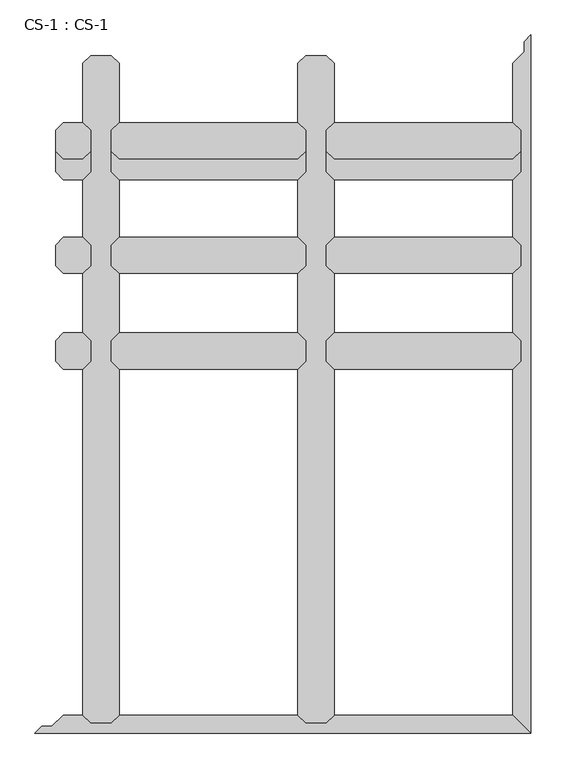
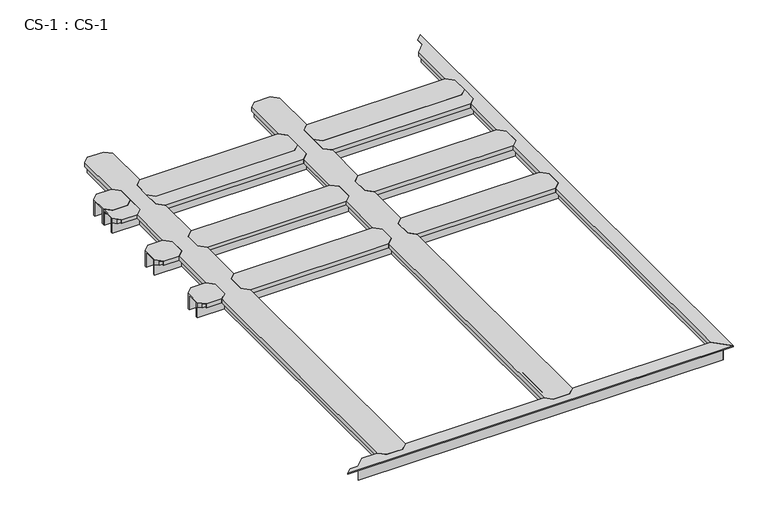
"""IFC4 building model written with IfcOpenShell, lengths in millimetres: proxy geometry, CS-1 : CS-1."""

from ifc_helpers import new_model, si_unit, origin, place, context, project, spatial, faceted_brep, source, transform, mapped, element, save


def cs_1_cs_1_36190b0d(model_context):
    return source(origin(), model_context, "Body", "Brep", [
        faceted_brep([(1549.3991059, 1856.74, 46.355), (1549.3991059, 1856.74, 0.0), (1549.3991059, 1863.725, 0.0), (1549.3991059, 1863.725, 63.5), (1549.3991059, 1915.795, 63.5), (1549.3991059, 1915.795, 0.0), (1549.3991059, 1922.78, 0.0), (1549.3991059, 1922.78, 46.355), (1549.3991059, 1922.78, 66.675), (1549.3991059, 1856.74, 66.675), (929.6390043, 1922.78, 46.355), (929.6390043, 1922.78, 0.0), (929.6390043, 1915.795, 0.0), (929.6390043, 1915.795, 63.5), (929.6390043, 1863.725, 63.5), (929.6390043, 1863.725, 0.0), (929.6390043, 1856.74, 0.0), (929.6390043, 1856.74, 46.355), (929.6390043, 1856.74, 66.675), (929.6390043, 1922.78, 66.675), (954.2770043, 1947.418, 66.675), (1524.7611059, 1947.418, 66.675), (1524.7611059, 1947.418, 49.8094), (954.2770043, 1947.418, 49.8094), (1526.2851059, 1945.894, 49.8094), (952.7530043, 1945.894, 49.8094), (1526.2851059, 1945.894, 64.643), (952.7530043, 1945.894, 64.643), (1536.5721059, 1935.607, 64.643), (942.4660043, 1935.607, 64.643), (1536.5721059, 1935.607, 46.355), (942.4660043, 1935.607, 46.355), (1536.5721059, 1843.913, 46.355), (942.4660043, 1843.913, 46.355), (1536.5721059, 1843.913, 64.643), (942.4660043, 1843.913, 64.643), (1526.2851059, 1833.626, 64.643), (952.7530043, 1833.626, 64.643), (1526.2851059, 1833.626, 49.8094), (952.7530043, 1833.626, 49.8094), (1524.7611059, 1832.102, 49.8094), (954.2770043, 1832.102, 49.8094), (1524.7611059, 1832.102, 66.675), (954.2770043, 1832.102, 66.675)], [[[0, 1, 2, 3, 4, 5, 6, 7, 8, 9]], [[10, 11, 12, 13, 14, 15, 16, 17, 18, 19]], [[20, 21, 22, 23]], [[23, 22, 24, 25]], [[25, 24, 26, 27]], [[27, 26, 28, 29]], [[29, 28, 30, 31]], [[7, 10, 31, 30]], [[7, 6, 11, 10]], [[6, 5, 12, 11]], [[5, 4, 13, 12]], [[4, 3, 14, 13]], [[3, 2, 15, 14]], [[2, 1, 16, 15]], [[1, 0, 17, 16]], [[17, 0, 32, 33]], [[33, 32, 34, 35]], [[35, 34, 36, 37]], [[37, 36, 38, 39]], [[39, 38, 40, 41]], [[41, 40, 42, 43]], [[9, 8, 21, 20, 19, 18, 43, 42]], [[10, 19, 20, 23, 25, 27, 29, 31]], [[18, 17, 33, 35, 37, 39, 41, 43]], [[0, 9, 42, 40, 38, 36, 34, 32]], [[8, 7, 30, 28, 26, 24, 22, 21]]]),
        faceted_brep([(863.5990043, 1856.74, 46.355), (863.5990043, 1856.74, 0.0), (863.5990043, 1863.725, 0.0), (863.5990043, 1863.725, 63.5), (863.5990043, 1915.795, 63.5), (863.5990043, 1915.795, 0.0), (863.5990043, 1922.78, 0.0), (863.5990043, 1922.78, 46.355), (863.5990043, 1922.78, 66.675), (863.5990043, 1856.74, 66.675), (243.8389027, 1922.78, 46.355), (243.8389027, 1922.78, 0.0), (243.8389027, 1915.795, 0.0), (243.8389027, 1915.795, 63.5), (243.8389027, 1863.725, 63.5), (243.8389027, 1863.725, 0.0), (243.8389027, 1856.74, 0.0), (243.8389027, 1856.74, 46.355), (243.8389027, 1856.74, 66.675), (243.8389027, 1922.78, 66.675), (268.4769027, 1947.418, 66.675), (838.9610043, 1947.418, 66.675), (838.9610043, 1947.418, 49.8094), (268.4769027, 1947.418, 49.8094), (840.4850043, 1945.894, 49.8094), (266.9529027, 1945.894, 49.8094), (840.4850043, 1945.894, 64.643), (266.9529027, 1945.894, 64.643), (850.7720043, 1935.607, 64.643), (256.6659027, 1935.607, 64.643), (850.7720043, 1935.607, 46.355), (256.6659027, 1935.607, 46.355), (850.7720043, 1843.913, 46.355), (256.6659027, 1843.913, 46.355), (850.7720043, 1843.913, 64.643), (256.6659027, 1843.913, 64.643), (840.4850043, 1833.626, 64.643), (266.9529027, 1833.626, 64.643), (840.4850043, 1833.626, 49.8094), (266.9529027, 1833.626, 49.8094), (838.9610043, 1832.102, 49.8094), (268.4769027, 1832.102, 49.8094), (838.9610043, 1832.102, 66.675), (268.4769027, 1832.102, 66.675)], [[[0, 1, 2, 3, 4, 5, 6, 7, 8, 9]], [[10, 11, 12, 13, 14, 15, 16, 17, 18, 19]], [[20, 21, 22, 23]], [[23, 22, 24, 25]], [[25, 24, 26, 27]], [[27, 26, 28, 29]], [[29, 28, 30, 31]], [[7, 10, 31, 30]], [[7, 6, 11, 10]], [[6, 5, 12, 11]], [[5, 4, 13, 12]], [[4, 3, 14, 13]], [[3, 2, 15, 14]], [[2, 1, 16, 15]], [[1, 0, 17, 16]], [[17, 0, 32, 33]], [[33, 32, 34, 35]], [[35, 34, 36, 37]], [[37, 36, 38, 39]], [[39, 38, 40, 41]], [[41, 40, 42, 43]], [[9, 8, 21, 20, 19, 18, 43, 42]], [[10, 19, 20, 23, 25, 27, 29, 31]], [[18, 17, 33, 35, 37, 39, 41, 43]], [[0, 9, 42, 40, 38, 36, 34, 32]], [[8, 7, 30, 28, 26, 24, 22, 21]]]),
        faceted_brep([(1549.3991059, 1790.7, 46.355), (1549.3991059, 1790.7, 0.0), (1549.3991059, 1797.685, 0.0), (1549.3991059, 1797.685, 63.5), (1549.3991059, 1849.755, 63.5), (1549.3991059, 1849.755, 0.0), (1549.3991059, 1856.74, 0.0), (1549.3991059, 1856.74, 46.355), (1549.3991059, 1856.74, 66.675), (1549.3991059, 1790.7, 66.675), (929.6390043, 1856.74, 46.355), (929.6390043, 1856.74, 0.0), (929.6390043, 1849.755, 0.0), (929.6390043, 1849.755, 63.5), (929.6390043, 1797.685, 63.5), (929.6390043, 1797.685, 0.0), (929.6390043, 1790.7, 0.0), (929.6390043, 1790.7, 46.355), (929.6390043, 1790.7, 66.675), (929.6390043, 1856.74, 66.675), (954.2770043, 1881.378, 66.675), (1524.7611059, 1881.378, 66.675), (1524.7611059, 1881.378, 49.8094), (954.2770043, 1881.378, 49.8094), (1526.2851059, 1879.854, 49.8094), (952.7530043, 1879.854, 49.8094), (1526.2851059, 1879.854, 64.643), (952.7530043, 1879.854, 64.643), (1536.5721059, 1869.567, 64.643), (942.4660043, 1869.567, 64.643), (1536.5721059, 1869.567, 46.355), (942.4660043, 1869.567, 46.355), (1536.5721059, 1777.873, 46.355), (942.4660043, 1777.873, 46.355), (1536.5721059, 1777.873, 64.643), (942.4660043, 1777.873, 64.643), (1526.2851059, 1767.586, 64.643), (952.7530043, 1767.586, 64.643), (1526.2851059, 1767.586, 49.8094), (952.7530043, 1767.586, 49.8094), (1524.7611059, 1766.062, 49.8094), (954.2770043, 1766.062, 49.8094), (1524.7611059, 1766.062, 66.675), (954.2770043, 1766.062, 66.675)], [[[0, 1, 2, 3, 4, 5, 6, 7, 8, 9]], [[10, 11, 12, 13, 14, 15, 16, 17, 18, 19]], [[20, 21, 22, 23]], [[23, 22, 24, 25]], [[25, 24, 26, 27]], [[27, 26, 28, 29]], [[29, 28, 30, 31]], [[7, 10, 31, 30]], [[7, 6, 11, 10]], [[6, 5, 12, 11]], [[5, 4, 13, 12]], [[4, 3, 14, 13]], [[3, 2, 15, 14]], [[2, 1, 16, 15]], [[1, 0, 17, 16]], [[17, 0, 32, 33]], [[33, 32, 34, 35]], [[35, 34, 36, 37]], [[37, 36, 38, 39]], [[39, 38, 40, 41]], [[41, 40, 42, 43]], [[9, 8, 21, 20, 19, 18, 43, 42]], [[10, 19, 20, 23, 25, 27, 29, 31]], [[18, 17, 33, 35, 37, 39, 41, 43]], [[0, 9, 42, 40, 38, 36, 34, 32]], [[8, 7, 30, 28, 26, 24, 22, 21]]]),
        faceted_brep([(863.5990043, 1790.7, 46.355), (863.5990043, 1790.7, 0.0), (863.5990043, 1797.685, 0.0), (863.5990043, 1797.685, 63.5), (863.5990043, 1849.755, 63.5), (863.5990043, 1849.755, 0.0), (863.5990043, 1856.74, 0.0), (863.5990043, 1856.74, 46.355), (863.5990043, 1856.74, 66.675), (863.5990043, 1790.7, 66.675), (243.8389027, 1856.74, 46.355), (243.8389027, 1856.74, 0.0), (243.8389027, 1849.755, 0.0), (243.8389027, 1849.755, 63.5), (243.8389027, 1797.685, 63.5), (243.8389027, 1797.685, 0.0), (243.8389027, 1790.7, 0.0), (243.8389027, 1790.7, 46.355), (243.8389027, 1790.7, 66.675), (243.8389027, 1856.74, 66.675), (268.4769027, 1881.378, 66.675), (838.9610043, 1881.378, 66.675), (838.9610043, 1881.378, 49.8094), (268.4769027, 1881.378, 49.8094), (840.4850043, 1879.854, 49.8094), (266.9529027, 1879.854, 49.8094), (840.4850043, 1879.854, 64.643), (266.9529027, 1879.854, 64.643), (850.7720043, 1869.567, 64.643), (256.6659027, 1869.567, 64.643), (850.7720043, 1869.567, 46.355), (256.6659027, 1869.567, 46.355), (850.7720043, 1777.873, 46.355), (256.6659027, 1777.873, 46.355), (850.7720043, 1777.873, 64.643), (256.6659027, 1777.873, 64.643), (840.4850043, 1767.586, 64.643), (266.9529027, 1767.586, 64.643), (840.4850043, 1767.586, 49.8094), (266.9529027, 1767.586, 49.8094), (838.9610043, 1766.062, 49.8094), (268.4769027, 1766.062, 49.8094), (838.9610043, 1766.062, 66.675), (268.4769027, 1766.062, 66.675)], [[[0, 1, 2, 3, 4, 5, 6, 7, 8, 9]], [[10, 11, 12, 13, 14, 15, 16, 17, 18, 19]], [[20, 21, 22, 23]], [[23, 22, 24, 25]], [[25, 24, 26, 27]], [[27, 26, 28, 29]], [[29, 28, 30, 31]], [[7, 10, 31, 30]], [[7, 6, 11, 10]], [[6, 5, 12, 11]], [[5, 4, 13, 12]], [[4, 3, 14, 13]], [[3, 2, 15, 14]], [[2, 1, 16, 15]], [[1, 0, 17, 16]], [[17, 0, 32, 33]], [[33, 32, 34, 35]], [[35, 34, 36, 37]], [[37, 36, 38, 39]], [[39, 38, 40, 41]], [[41, 40, 42, 43]], [[9, 8, 21, 20, 19, 18, 43, 42]], [[10, 19, 20, 23, 25, 27, 29, 31]], [[18, 17, 33, 35, 37, 39, 41, 43]], [[0, 9, 42, 40, 38, 36, 34, 32]], [[8, 7, 30, 28, 26, 24, 22, 21]]]),
        faceted_brep([(1549.3991059, 1490.98, 46.355), (1549.3991059, 1490.98, 0.0), (1549.3991059, 1497.965, 0.0), (1549.3991059, 1497.965, 63.5), (1549.3991059, 1550.035, 63.5), (1549.3991059, 1550.035, 0.0), (1549.3991059, 1557.02, 0.0), (1549.3991059, 1557.02, 46.355), (1549.3991059, 1557.02, 66.675), (1549.3991059, 1490.98, 66.675), (929.6390043, 1557.02, 46.355), (929.6390043, 1557.02, 0.0), (929.6390043, 1550.035, 0.0), (929.6390043, 1550.035, 63.5), (929.6390043, 1497.965, 63.5), (929.6390043, 1497.965, 0.0), (929.6390043, 1490.98, 0.0), (929.6390043, 1490.98, 46.355), (929.6390043, 1490.98, 66.675), (929.6390043, 1557.02, 66.675), (954.2770043, 1581.658, 66.675), (1524.7611059, 1581.658, 66.675), (1524.7611059, 1581.658, 49.8094), (954.2770043, 1581.658, 49.8094), (1526.2851059, 1580.134, 49.8094), (952.7530043, 1580.134, 49.8094), (1526.2851059, 1580.134, 64.643), (952.7530043, 1580.134, 64.643), (1536.5721059, 1569.847, 64.643), (942.4660043, 1569.847, 64.643), (1536.5721059, 1569.847, 46.355), (942.4660043, 1569.847, 46.355), (1536.5721059, 1478.153, 46.355), (942.4660043, 1478.153, 46.355), (1536.5721059, 1478.153, 64.643), (942.4660043, 1478.153, 64.643), (1526.2851059, 1467.866, 64.643), (952.7530043, 1467.866, 64.643), (1526.2851059, 1467.866, 49.8094), (952.7530043, 1467.866, 49.8094), (1524.7611059, 1466.342, 49.8094), (954.2770043, 1466.342, 49.8094), (1524.7611059, 1466.342, 66.675), (954.2770043, 1466.342, 66.675)], [[[0, 1, 2, 3, 4, 5, 6, 7, 8, 9]], [[10, 11, 12, 13, 14, 15, 16, 17, 18, 19]], [[20, 21, 22, 23]], [[23, 22, 24, 25]], [[25, 24, 26, 27]], [[27, 26, 28, 29]], [[29, 28, 30, 31]], [[7, 10, 31, 30]], [[7, 6, 11, 10]], [[6, 5, 12, 11]], [[5, 4, 13, 12]], [[4, 3, 14, 13]], [[3, 2, 15, 14]], [[2, 1, 16, 15]], [[1, 0, 17, 16]], [[17, 0, 32, 33]], [[33, 32, 34, 35]], [[35, 34, 36, 37]], [[37, 36, 38, 39]], [[39, 38, 40, 41]], [[41, 40, 42, 43]], [[9, 8, 21, 20, 19, 18, 43, 42]], [[10, 19, 20, 23, 25, 27, 29, 31]], [[18, 17, 33, 35, 37, 39, 41, 43]], [[0, 9, 42, 40, 38, 36, 34, 32]], [[8, 7, 30, 28, 26, 24, 22, 21]]]),
        faceted_brep([(863.5990043, 1490.98, 46.355), (863.5990043, 1490.98, 0.0), (863.5990043, 1497.965, 0.0), (863.5990043, 1497.965, 63.5), (863.5990043, 1550.035, 63.5), (863.5990043, 1550.035, 0.0), (863.5990043, 1557.02, 0.0), (863.5990043, 1557.02, 46.355), (863.5990043, 1557.02, 66.675), (863.5990043, 1490.98, 66.675), (243.8389027, 1557.02, 46.355), (243.8389027, 1557.02, 0.0), (243.8389027, 1550.035, 0.0), (243.8389027, 1550.035, 63.5), (243.8389027, 1497.965, 63.5), (243.8389027, 1497.965, 0.0), (243.8389027, 1490.98, 0.0), (243.8389027, 1490.98, 46.355), (243.8389027, 1490.98, 66.675), (243.8389027, 1557.02, 66.675), (268.4769027, 1581.658, 66.675), (838.9610043, 1581.658, 66.675), (838.9610043, 1581.658, 49.8094), (268.4769027, 1581.658, 49.8094), (840.4850043, 1580.134, 49.8094), (266.9529027, 1580.134, 49.8094), (840.4850043, 1580.134, 64.643), (266.9529027, 1580.134, 64.643), (850.7720043, 1569.847, 64.643), (256.6659027, 1569.847, 64.643), (850.7720043, 1569.847, 46.355), (256.6659027, 1569.847, 46.355), (850.7720043, 1478.153, 46.355), (256.6659027, 1478.153, 46.355), (850.7720043, 1478.153, 64.643), (256.6659027, 1478.153, 64.643), (840.4850043, 1467.866, 64.643), (266.9529027, 1467.866, 64.643), (840.4850043, 1467.866, 49.8094), (266.9529027, 1467.866, 49.8094), (838.9610043, 1466.342, 49.8094), (268.4769027, 1466.342, 49.8094), (838.9610043, 1466.342, 66.675), (268.4769027, 1466.342, 66.675)], [[[0, 1, 2, 3, 4, 5, 6, 7, 8, 9]], [[10, 11, 12, 13, 14, 15, 16, 17, 18, 19]], [[20, 21, 22, 23]], [[23, 22, 24, 25]], [[25, 24, 26, 27]], [[27, 26, 28, 29]], [[29, 28, 30, 31]], [[7, 10, 31, 30]], [[7, 6, 11, 10]], [[6, 5, 12, 11]], [[5, 4, 13, 12]], [[4, 3, 14, 13]], [[3, 2, 15, 14]], [[2, 1, 16, 15]], [[1, 0, 17, 16]], [[17, 0, 32, 33]], [[33, 32, 34, 35]], [[35, 34, 36, 37]], [[37, 36, 38, 39]], [[39, 38, 40, 41]], [[41, 40, 42, 43]], [[9, 8, 21, 20, 19, 18, 43, 42]], [[10, 19, 20, 23, 25, 27, 29, 31]], [[18, 17, 33, 35, 37, 39, 41, 43]], [[0, 9, 42, 40, 38, 36, 34, 32]], [[8, 7, 30, 28, 26, 24, 22, 21]]]),
        faceted_brep([(1549.3991059, 1186.1800292, 46.355), (1549.3991059, 1186.1800292, 0.0), (1549.3991059, 1193.1650292, 0.0), (1549.3991059, 1193.1650292, 63.5), (1549.3991059, 1245.2350292, 63.5), (1549.3991059, 1245.2350292, 0.0), (1549.3991059, 1252.2200292, 0.0), (1549.3991059, 1252.2200292, 46.355), (1549.3991059, 1252.2200292, 66.675), (1549.3991059, 1186.1800292, 66.675), (929.6390043, 1252.2200292, 46.355), (929.6390043, 1252.2200292, 0.0), (929.6390043, 1245.2350292, 0.0), (929.6390043, 1245.2350292, 63.5), (929.6390043, 1193.1650292, 63.5), (929.6390043, 1193.1650292, 0.0), (929.6390043, 1186.1800292, 0.0), (929.6390043, 1186.1800292, 46.355), (929.6390043, 1186.1800292, 66.675), (929.6390043, 1252.2200292, 66.675), (954.2770043, 1276.8580292, 66.675), (1524.7611059, 1276.8580292, 66.675), (1524.7611059, 1276.8580292, 49.8094), (954.2770043, 1276.8580292, 49.8094), (1526.2851059, 1275.3340292, 49.8094), (952.7530043, 1275.3340292, 49.8094), (1526.2851059, 1275.3340292, 64.643), (952.7530043, 1275.3340292, 64.643), (1536.5721059, 1265.0470292, 64.643), (942.4660043, 1265.0470292, 64.643), (1536.5721059, 1265.0470292, 46.355), (942.4660043, 1265.0470292, 46.355), (1536.5721059, 1173.3530292, 46.355), (942.4660043, 1173.3530292, 46.355), (1536.5721059, 1173.3530292, 64.643), (942.4660043, 1173.3530292, 64.643), (1526.2851059, 1163.0660292, 64.643), (952.7530043, 1163.0660292, 64.643), (1526.2851059, 1163.0660292, 49.8094), (952.7530043, 1163.0660292, 49.8094), (1524.7611059, 1161.5420292, 49.8094), (954.2770043, 1161.5420292, 49.8094), (1524.7611059, 1161.5420292, 66.675), (954.2770043, 1161.5420292, 66.675)], [[[0, 1, 2, 3, 4, 5, 6, 7, 8, 9]], [[10, 11, 12, 13, 14, 15, 16, 17, 18, 19]], [[20, 21, 22, 23]], [[23, 22, 24, 25]], [[25, 24, 26, 27]], [[27, 26, 28, 29]], [[29, 28, 30, 31]], [[7, 10, 31, 30]], [[7, 6, 11, 10]], [[6, 5, 12, 11]], [[5, 4, 13, 12]], [[4, 3, 14, 13]], [[3, 2, 15, 14]], [[2, 1, 16, 15]], [[1, 0, 17, 16]], [[17, 0, 32, 33]], [[33, 32, 34, 35]], [[35, 34, 36, 37]], [[37, 36, 38, 39]], [[39, 38, 40, 41]], [[41, 40, 42, 43]], [[9, 8, 21, 20, 19, 18, 43, 42]], [[10, 19, 20, 23, 25, 27, 29, 31]], [[18, 17, 33, 35, 37, 39, 41, 43]], [[0, 9, 42, 40, 38, 36, 34, 32]], [[8, 7, 30, 28, 26, 24, 22, 21]]]),
        faceted_brep([(863.5990043, 1186.1800292, 46.355), (863.5990043, 1186.1800292, 0.0), (863.5990043, 1193.1650292, 0.0), (863.5990043, 1193.1650292, 63.5), (863.5990043, 1245.2350292, 63.5), (863.5990043, 1245.2350292, 0.0), (863.5990043, 1252.2200292, 0.0), (863.5990043, 1252.2200292, 46.355), (863.5990043, 1252.2200292, 66.675), (863.5990043, 1186.1800292, 66.675), (243.8389027, 1252.2200292, 46.355), (243.8389027, 1252.2200292, 0.0), (243.8389027, 1245.2350292, 0.0), (243.8389027, 1245.2350292, 63.5), (243.8389027, 1193.1650292, 63.5), (243.8389027, 1193.1650292, 0.0), (243.8389027, 1186.1800292, 0.0), (243.8389027, 1186.1800292, 46.355), (243.8389027, 1186.1800292, 66.675), (243.8389027, 1252.2200292, 66.675), (268.4769027, 1276.8580292, 66.675), (838.9610043, 1276.8580292, 66.675), (838.9610043, 1276.8580292, 49.8094), (268.4769027, 1276.8580292, 49.8094), (840.4850043, 1275.3340292, 49.8094), (266.9529027, 1275.3340292, 49.8094), (840.4850043, 1275.3340292, 64.643), (266.9529027, 1275.3340292, 64.643), (850.7720043, 1265.0470292, 64.643), (256.6659027, 1265.0470292, 64.643), (850.7720043, 1265.0470292, 46.355), (256.6659027, 1265.0470292, 46.355), (850.7720043, 1173.3530292, 46.355), (256.6659027, 1173.3530292, 46.355), (850.7720043, 1173.3530292, 64.643), (256.6659027, 1173.3530292, 64.643), (840.4850043, 1163.0660292, 64.643), (266.9529027, 1163.0660292, 64.643), (840.4850043, 1163.0660292, 49.8094), (266.9529027, 1163.0660292, 49.8094), (838.9610043, 1161.5420292, 49.8094), (268.4769027, 1161.5420292, 49.8094), (838.9610043, 1161.5420292, 66.675), (268.4769027, 1161.5420292, 66.675)], [[[0, 1, 2, 3, 4, 5, 6, 7, 8, 9]], [[10, 11, 12, 13, 14, 15, 16, 17, 18, 19]], [[20, 21, 22, 23]], [[23, 22, 24, 25]], [[25, 24, 26, 27]], [[27, 26, 28, 29]], [[29, 28, 30, 31]], [[7, 10, 31, 30]], [[7, 6, 11, 10]], [[6, 5, 12, 11]], [[5, 4, 13, 12]], [[4, 3, 14, 13]], [[3, 2, 15, 14]], [[2, 1, 16, 15]], [[1, 0, 17, 16]], [[17, 0, 32, 33]], [[33, 32, 34, 35]], [[35, 34, 36, 37]], [[37, 36, 38, 39]], [[39, 38, 40, 41]], [[41, 40, 42, 43]], [[9, 8, 21, 20, 19, 18, 43, 42]], [[10, 19, 20, 23, 25, 27, 29, 31]], [[18, 17, 33, 35, 37, 39, 41, 43]], [[0, 9, 42, 40, 38, 36, 34, 32]], [[8, 7, 30, 28, 26, 24, 22, 21]]]),
        faceted_brep([(177.7989027, 1856.74, 46.355), (177.7989027, 1856.74, 0.0), (177.7989027, 1863.725, 0.0), (177.7989027, 1863.725, 63.5), (177.7989027, 1915.795, 63.5), (177.7989027, 1915.795, 0.0), (177.7989027, 1922.78, 0.0), (177.7989027, 1922.78, 46.355), (177.7989027, 1922.78, 66.675), (177.7989027, 1856.74, 66.675), (66.04, 1922.78, 46.355), (66.04, 1922.78, 0.0), (66.04, 1915.795, 0.0), (66.04, 1915.795, 63.5), (66.04, 1863.725, 63.5), (66.04, 1863.725, 0.0), (66.04, 1856.74, 0.0), (66.04, 1856.74, 46.355), (66.04, 1856.74, 66.675), (66.04, 1922.78, 66.675), (90.678, 1947.418, 66.675), (153.1609027, 1947.418, 66.675), (153.1609027, 1947.418, 49.8094), (90.678, 1947.418, 49.8094), (154.6849027, 1945.894, 49.8094), (89.154, 1945.894, 49.8094), (154.6849027, 1945.894, 64.643), (89.154, 1945.894, 64.643), (164.9719027, 1935.607, 64.643), (78.867, 1935.607, 64.643), (164.9719027, 1935.607, 46.355), (78.867, 1935.607, 46.355), (164.9719027, 1843.913, 46.355), (78.867, 1843.913, 46.355), (164.9719027, 1843.913, 64.643), (78.867, 1843.913, 64.643), (154.6849027, 1833.626, 64.643), (89.154, 1833.626, 64.643), (154.6849027, 1833.626, 49.8094), (89.154, 1833.626, 49.8094), (153.1609027, 1832.102, 49.8094), (90.678, 1832.102, 49.8094), (153.1609027, 1832.102, 66.675), (90.678, 1832.102, 66.675)], [[[0, 1, 2, 3, 4, 5, 6, 7, 8, 9]], [[10, 11, 12, 13, 14, 15, 16, 17, 18, 19]], [[20, 21, 22, 23]], [[23, 22, 24, 25]], [[25, 24, 26, 27]], [[27, 26, 28, 29]], [[29, 28, 30, 31]], [[7, 10, 31, 30]], [[7, 6, 11, 10]], [[6, 5, 12, 11]], [[5, 4, 13, 12]], [[4, 3, 14, 13]], [[3, 2, 15, 14]], [[2, 1, 16, 15]], [[1, 0, 17, 16]], [[17, 0, 32, 33]], [[33, 32, 34, 35]], [[35, 34, 36, 37]], [[37, 36, 38, 39]], [[39, 38, 40, 41]], [[41, 40, 42, 43]], [[9, 8, 21, 20, 19, 18, 43, 42]], [[10, 19, 20, 23, 25, 27, 29, 31]], [[18, 17, 33, 35, 37, 39, 41, 43]], [[0, 9, 42, 40, 38, 36, 34, 32]], [[8, 7, 30, 28, 26, 24, 22, 21]]]),
        faceted_brep([(177.7989027, 1790.7, 46.355), (177.7989027, 1790.7, 0.0), (177.7989027, 1797.685, 0.0), (177.7989027, 1797.685, 63.5), (177.7989027, 1849.755, 63.5), (177.7989027, 1849.755, 0.0), (177.7989027, 1856.74, 0.0), (177.7989027, 1856.74, 46.355), (177.7989027, 1856.74, 66.675), (177.7989027, 1790.7, 66.675), (66.04, 1856.74, 46.355), (66.04, 1856.74, 0.0), (66.04, 1849.755, 0.0), (66.04, 1849.755, 63.5), (66.04, 1797.685, 63.5), (66.04, 1797.685, 0.0), (66.04, 1790.7, 0.0), (66.04, 1790.7, 46.355), (66.04, 1790.7, 66.675), (66.04, 1856.74, 66.675), (90.678, 1881.378, 66.675), (153.1609027, 1881.378, 66.675), (153.1609027, 1881.378, 49.8094), (90.678, 1881.378, 49.8094), (154.6849027, 1879.854, 49.8094), (89.154, 1879.854, 49.8094), (154.6849027, 1879.854, 64.643), (89.154, 1879.854, 64.643), (164.9719027, 1869.567, 64.643), (78.867, 1869.567, 64.643), (164.9719027, 1869.567, 46.355), (78.867, 1869.567, 46.355), (164.9719027, 1777.873, 46.355), (78.867, 1777.873, 46.355), (164.9719027, 1777.873, 64.643), (78.867, 1777.873, 64.643), (154.6849027, 1767.586, 64.643), (89.154, 1767.586, 64.643), (154.6849027, 1767.586, 49.8094), (89.154, 1767.586, 49.8094), (153.1609027, 1766.062, 49.8094), (90.678, 1766.062, 49.8094), (153.1609027, 1766.062, 66.675), (90.678, 1766.062, 66.675)], [[[0, 1, 2, 3, 4, 5, 6, 7, 8, 9]], [[10, 11, 12, 13, 14, 15, 16, 17, 18, 19]], [[20, 21, 22, 23]], [[23, 22, 24, 25]], [[25, 24, 26, 27]], [[27, 26, 28, 29]], [[29, 28, 30, 31]], [[7, 10, 31, 30]], [[7, 6, 11, 10]], [[6, 5, 12, 11]], [[5, 4, 13, 12]], [[4, 3, 14, 13]], [[3, 2, 15, 14]], [[2, 1, 16, 15]], [[1, 0, 17, 16]], [[17, 0, 32, 33]], [[33, 32, 34, 35]], [[35, 34, 36, 37]], [[37, 36, 38, 39]], [[39, 38, 40, 41]], [[41, 40, 42, 43]], [[9, 8, 21, 20, 19, 18, 43, 42]], [[10, 19, 20, 23, 25, 27, 29, 31]], [[18, 17, 33, 35, 37, 39, 41, 43]], [[0, 9, 42, 40, 38, 36, 34, 32]], [[8, 7, 30, 28, 26, 24, 22, 21]]]),
        faceted_brep([(177.7989027, 1490.98, 46.355), (177.7989027, 1490.98, 0.0), (177.7989027, 1497.965, 0.0), (177.7989027, 1497.965, 63.5), (177.7989027, 1550.035, 63.5), (177.7989027, 1550.035, 0.0), (177.7989027, 1557.02, 0.0), (177.7989027, 1557.02, 46.355), (177.7989027, 1557.02, 66.675), (177.7989027, 1490.98, 66.675), (66.04, 1557.02, 46.355), (66.04, 1557.02, 0.0), (66.04, 1550.035, 0.0), (66.04, 1550.035, 63.5), (66.04, 1497.965, 63.5), (66.04, 1497.965, 0.0), (66.04, 1490.98, 0.0), (66.04, 1490.98, 46.355), (66.04, 1490.98, 66.675), (66.04, 1557.02, 66.675), (90.678, 1581.658, 66.675), (153.1609027, 1581.658, 66.675), (153.1609027, 1581.658, 49.8094), (90.678, 1581.658, 49.8094), (154.6849027, 1580.134, 49.8094), (89.154, 1580.134, 49.8094), (154.6849027, 1580.134, 64.643), (89.154, 1580.134, 64.643), (164.9719027, 1569.847, 64.643), (78.867, 1569.847, 64.643), (164.9719027, 1569.847, 46.355), (78.867, 1569.847, 46.355), (164.9719027, 1478.153, 46.355), (78.867, 1478.153, 46.355), (164.9719027, 1478.153, 64.643), (78.867, 1478.153, 64.643), (154.6849027, 1467.866, 64.643), (89.154, 1467.866, 64.643), (154.6849027, 1467.866, 49.8094), (89.154, 1467.866, 49.8094), (153.1609027, 1466.342, 49.8094), (90.678, 1466.342, 49.8094), (153.1609027, 1466.342, 66.675), (90.678, 1466.342, 66.675)], [[[0, 1, 2, 3, 4, 5, 6, 7, 8, 9]], [[10, 11, 12, 13, 14, 15, 16, 17, 18, 19]], [[20, 21, 22, 23]], [[23, 22, 24, 25]], [[25, 24, 26, 27]], [[27, 26, 28, 29]], [[29, 28, 30, 31]], [[7, 10, 31, 30]], [[7, 6, 11, 10]], [[6, 5, 12, 11]], [[5, 4, 13, 12]], [[4, 3, 14, 13]], [[3, 2, 15, 14]], [[2, 1, 16, 15]], [[1, 0, 17, 16]], [[17, 0, 32, 33]], [[33, 32, 34, 35]], [[35, 34, 36, 37]], [[37, 36, 38, 39]], [[39, 38, 40, 41]], [[41, 40, 42, 43]], [[9, 8, 21, 20, 19, 18, 43, 42]], [[10, 19, 20, 23, 25, 27, 29, 31]], [[18, 17, 33, 35, 37, 39, 41, 43]], [[0, 9, 42, 40, 38, 36, 34, 32]], [[8, 7, 30, 28, 26, 24, 22, 21]]]),
        faceted_brep([(177.7989027, 1186.1800292, 46.355), (177.7989027, 1186.1800292, 0.0), (177.7989027, 1193.1650292, 0.0), (177.7989027, 1193.1650292, 63.5), (177.7989027, 1245.2350292, 63.5), (177.7989027, 1245.2350292, 0.0), (177.7989027, 1252.2200292, 0.0), (177.7989027, 1252.2200292, 46.355), (177.7989027, 1252.2200292, 66.675), (177.7989027, 1186.1800292, 66.675), (66.04, 1252.2200292, 46.355), (66.04, 1252.2200292, 0.0), (66.04, 1245.2350292, 0.0), (66.04, 1245.2350292, 63.5), (66.04, 1193.1650292, 63.5), (66.04, 1193.1650292, 0.0), (66.04, 1186.1800292, 0.0), (66.04, 1186.1800292, 46.355), (66.04, 1186.1800292, 66.675), (66.04, 1252.2200292, 66.675), (90.678, 1276.8580292, 66.675), (153.1609027, 1276.8580292, 66.675), (153.1609027, 1276.8580292, 49.8094), (90.678, 1276.8580292, 49.8094), (154.6849027, 1275.3340292, 49.8094), (89.154, 1275.3340292, 49.8094), (154.6849027, 1275.3340292, 64.643), (89.154, 1275.3340292, 64.643), (164.9719027, 1265.0470292, 64.643), (78.867, 1265.0470292, 64.643), (164.9719027, 1265.0470292, 46.355), (78.867, 1265.0470292, 46.355), (164.9719027, 1173.3530292, 46.355), (78.867, 1173.3530292, 46.355), (164.9719027, 1173.3530292, 64.643), (78.867, 1173.3530292, 64.643), (154.6849027, 1163.0660292, 64.643), (89.154, 1163.0660292, 64.643), (154.6849027, 1163.0660292, 49.8094), (89.154, 1163.0660292, 49.8094), (153.1609027, 1161.5420292, 49.8094), (90.678, 1161.5420292, 49.8094), (153.1609027, 1161.5420292, 66.675), (90.678, 1161.5420292, 66.675)], [[[0, 1, 2, 3, 4, 5, 6, 7, 8, 9]], [[10, 11, 12, 13, 14, 15, 16, 17, 18, 19]], [[20, 21, 22, 23]], [[23, 22, 24, 25]], [[25, 24, 26, 27]], [[27, 26, 28, 29]], [[29, 28, 30, 31]], [[7, 10, 31, 30]], [[7, 6, 11, 10]], [[6, 5, 12, 11]], [[5, 4, 13, 12]], [[4, 3, 14, 13]], [[3, 2, 15, 14]], [[2, 1, 16, 15]], [[1, 0, 17, 16]], [[17, 0, 32, 33]], [[33, 32, 34, 35]], [[35, 34, 36, 37]], [[37, 36, 38, 39]], [[39, 38, 40, 41]], [[41, 40, 42, 43]], [[9, 8, 21, 20, 19, 18, 43, 42]], [[10, 19, 20, 23, 25, 27, 29, 31]], [[18, 17, 33, 35, 37, 39, 41, 43]], [[0, 9, 42, 40, 38, 36, 34, 32]], [[8, 7, 30, 28, 26, 24, 22, 21]]]),
        faceted_brep([(929.6390043, 2161.54, 46.355), (929.6390043, 2161.54, 0.0), (922.6540043, 2161.54, 0.0), (922.6540043, 2161.54, 63.5), (870.5840043, 2161.54, 63.5), (870.5840043, 2161.54, 0.0), (863.5990043, 2161.54, 0.0), (863.5990043, 2161.54, 46.355), (863.5990043, 2161.54, 66.675), (929.6390043, 2161.54, 66.675), (863.5990043, 33.02, 46.355), (863.5990043, 33.02, 0.0), (870.5840043, 33.02, 0.0), (870.5840043, 33.02, 63.5), (922.6540043, 33.02, 63.5), (922.6540043, 33.02, 0.0), (929.6390043, 33.02, 0.0), (929.6390043, 33.02, 46.355), (929.6390043, 33.02, 66.675), (863.5990043, 33.02, 66.675), (838.9610043, 57.658, 49.8094), (838.9610043, 57.658, 66.675), (838.9610043, 1161.542, 66.675), (838.9610043, 1161.542, 49.8094), (838.9610043, 2136.902, 66.675), (838.9610043, 2136.902, 49.8094), (838.9610043, 1947.418, 49.8094), (838.9610043, 1947.418, 66.675), (838.9610043, 1276.858, 49.8094), (838.9610043, 1276.858, 66.675), (838.9610043, 1466.342, 66.675), (838.9610043, 1466.342, 49.8094), (838.9610043, 1581.658, 49.8094), (838.9610043, 1581.658, 66.675), (838.9610043, 1766.062, 66.675), (838.9610043, 1766.062, 49.8094), (840.4850043, 56.134, 49.8094), (840.4850043, 1163.066, 49.8094), (840.4850043, 2138.426, 49.8094), (840.4850043, 1945.894, 49.8094), (840.4850043, 1275.334, 49.8094), (840.4850043, 1467.866, 49.8094), (840.4850043, 1580.134, 49.8094), (840.4850043, 1767.586, 49.8094), (840.4850043, 56.134, 64.643), (840.4850043, 1163.066, 64.643), (840.4850043, 2138.426, 64.643), (840.4850043, 1945.894, 64.643), (840.4850043, 1275.334, 64.643), (840.4850043, 1467.866, 64.643), (840.4850043, 1580.134, 64.643), (840.4850043, 1767.586, 64.643), (850.7720043, 45.847, 64.643), (850.7720043, 1173.353, 64.643), (850.7720043, 2148.713, 64.643), (850.7720043, 1935.607, 64.643), (850.7720043, 1265.047, 64.643), (850.7720043, 1478.153, 64.643), (850.7720043, 1569.847, 64.643), (850.7720043, 1777.873, 64.643), (850.7720043, 45.847, 46.355), (850.7720043, 1173.353, 46.355), (850.7720043, 2148.713, 46.355), (850.7720043, 1935.607, 46.355), (850.7720043, 1265.047, 46.355), (850.7720043, 1478.153, 46.355), (850.7720043, 1569.847, 46.355), (850.7720043, 1777.873, 46.355), (863.5990043, 1186.18, 46.355), (863.5990043, 1922.78, 46.355), (863.5990043, 1252.22, 46.355), (863.5990043, 1490.98, 46.355), (863.5990043, 1557.02, 46.355), (863.5990043, 1790.7, 46.355), (863.5990043, 1186.18, 66.675), (863.5990043, 1252.22, 66.675), (863.5990043, 1490.98, 66.675), (863.5990043, 1557.02, 66.675), (863.5990043, 1790.7, 66.675), (863.5990043, 1922.78, 66.675), (929.6390043, 1922.78, 46.355), (929.6390043, 1922.78, 66.675), (929.6390043, 1790.7, 66.675), (929.6390043, 1790.7, 46.355), (929.6390043, 1557.02, 46.355), (929.6390043, 1557.02, 66.675), (929.6390043, 1490.98, 66.675), (929.6390043, 1490.98, 46.355), (929.6390043, 1252.2200292, 46.355), (929.6390043, 1252.2200292, 66.675), (929.6390043, 1186.18, 66.675), (929.6390043, 1186.18, 46.355), (942.4660043, 45.847, 46.355), (942.4660043, 1173.3530152, 46.355), (942.4660043, 2148.713, 46.355), (942.4660043, 1935.607, 46.355), (942.4660043, 1265.0470292, 46.355), (942.4660043, 1478.153, 46.355), (942.4660043, 1569.847, 46.355), (942.4660043, 1777.873, 46.355), (942.4660043, 45.847, 64.643), (942.4660043, 1173.3530152, 64.643), (942.4660043, 2148.713, 64.643), (942.4660043, 1935.607, 64.643), (942.4660043, 1265.0470292, 64.643), (942.4660043, 1478.153, 64.643), (942.4660043, 1569.847, 64.643), (942.4660043, 1777.873, 64.643), (952.7530043, 56.134, 64.643), (952.7530043, 1163.0660274, 64.643), (952.7530043, 2138.426, 64.643), (952.7530043, 1945.894, 64.643), (952.7530043, 1275.3340292, 64.643), (952.7530043, 1467.866, 64.643), (952.7530043, 1580.134, 64.643), (952.7530043, 1767.586, 64.643), (952.7530043, 56.134, 49.8094), (952.7530043, 1163.0660274, 49.8094), (952.7530043, 2138.426, 49.8094), (952.7530043, 1945.894, 49.8094), (952.7530043, 1275.3340292, 49.8094), (952.7530043, 1467.866, 49.8094), (952.7530043, 1580.134, 49.8094), (952.7530043, 1767.586, 49.8094), (954.2770043, 57.658, 49.8094), (954.2770043, 1161.5420292, 49.8094), (954.2770043, 2136.902, 49.8094), (954.2770043, 1947.418, 49.8094), (954.2770043, 1276.8580292, 49.8094), (954.2770043, 1466.342, 49.8094), (954.2770043, 1581.658, 49.8094), (954.2770043, 1766.062, 49.8094), (954.2770043, 57.658, 66.675), (954.2770043, 1161.5420292, 66.675), (954.2770043, 2136.902, 66.675), (954.2770043, 1947.418, 66.675), (954.2770043, 1276.8580292, 66.675), (954.2770043, 1466.342, 66.675), (954.2770043, 1581.658, 66.675), (954.2770043, 1766.062, 66.675)], [[[0, 1, 2, 3, 4, 5, 6, 7, 8, 9]], [[10, 11, 12, 13, 14, 15, 16, 17, 18, 19]], [[20, 21, 22, 23]], [[24, 25, 26, 27]], [[28, 29, 30, 31]], [[32, 33, 34, 35]], [[36, 20, 23, 37]], [[25, 38, 39, 26]], [[40, 28, 31, 41]], [[42, 32, 35, 43]], [[44, 36, 37, 45]], [[38, 46, 47, 39]], [[48, 40, 41, 49]], [[50, 42, 43, 51]], [[52, 44, 45, 53]], [[46, 54, 55, 47]], [[56, 48, 49, 57]], [[58, 50, 51, 59]], [[60, 52, 53, 61]], [[54, 62, 63, 55]], [[64, 56, 57, 65]], [[66, 58, 59, 67]], [[10, 60, 61, 68]], [[62, 7, 69, 63]], [[70, 64, 65, 71]], [[72, 66, 67, 73]], [[7, 6, 11, 10, 68, 74, 75, 70, 71, 76, 77, 72, 73, 78, 79, 69]], [[6, 5, 12, 11]], [[5, 4, 13, 12]], [[4, 3, 14, 13]], [[3, 2, 15, 14]], [[2, 1, 16, 15]], [[1, 0, 80, 81, 82, 83, 84, 85, 86, 87, 88, 89, 90, 91, 17, 16]], [[92, 17, 91, 93]], [[0, 94, 95, 80]], [[96, 88, 87, 97]], [[98, 84, 83, 99]], [[100, 92, 93, 101]], [[94, 102, 103, 95]], [[104, 96, 97, 105]], [[106, 98, 99, 107]], [[108, 100, 101, 109]], [[102, 110, 111, 103]], [[112, 104, 105, 113]], [[114, 106, 107, 115]], [[116, 108, 109, 117]], [[110, 118, 119, 111]], [[120, 112, 113, 121]], [[122, 114, 115, 123]], [[124, 116, 117, 125]], [[118, 126, 127, 119]], [[128, 120, 121, 129]], [[130, 122, 123, 131]], [[132, 124, 125, 133]], [[126, 134, 135, 127]], [[136, 128, 129, 137]], [[138, 130, 131, 139]], [[9, 8, 24, 27, 79, 78, 34, 33, 77, 76, 30, 29, 75, 74, 22, 21, 19, 18, 132, 133, 90, 89, 136, 137, 86, 85, 138, 139, 82, 81, 135, 134]], [[10, 19, 21, 20, 36, 44, 52, 60]], [[18, 17, 92, 100, 108, 116, 124, 132]], [[0, 9, 134, 126, 118, 110, 102, 94]], [[8, 7, 62, 54, 46, 38, 25, 24]], [[74, 68, 61, 53, 45, 37, 23, 22]], [[70, 75, 29, 28, 40, 48, 56, 64]], [[76, 71, 65, 57, 49, 41, 31, 30]], [[72, 77, 33, 32, 42, 50, 58, 66]], [[78, 73, 67, 59, 51, 43, 35, 34]], [[69, 79, 27, 26, 39, 47, 55, 63]], [[89, 88, 96, 104, 112, 120, 128, 136]], [[91, 90, 133, 125, 117, 109, 101, 93]], [[85, 84, 98, 106, 114, 122, 130, 138]], [[87, 86, 137, 129, 121, 113, 105, 97]], [[83, 82, 139, 131, 123, 115, 107, 99]], [[81, 80, 95, 103, 111, 119, 127, 135]]]),
        faceted_brep([(243.8389027, 2161.54, 46.355), (243.8389027, 2161.54, 0.0), (236.8539027, 2161.54, 0.0), (236.8539027, 2161.54, 63.5), (184.7839027, 2161.54, 63.5), (184.7839027, 2161.54, 0.0), (177.7989027, 2161.54, 0.0), (177.7989027, 2161.54, 46.355), (177.7989027, 2161.54, 66.675), (243.8389027, 2161.54, 66.675), (177.7989027, 33.02, 46.355), (177.7989027, 33.02, 0.0), (184.7839027, 33.02, 0.0), (184.7839027, 33.02, 63.5), (236.8539027, 33.02, 63.5), (236.8539027, 33.02, 0.0), (243.8389027, 33.02, 0.0), (243.8389027, 33.02, 46.355), (243.8389027, 33.02, 66.675), (177.7989027, 33.02, 66.675), (153.1609027, 57.658, 49.8094), (153.1609027, 57.658, 66.675), (153.1609027, 1161.542, 66.675), (153.1609027, 1161.542, 49.8094), (153.1609027, 2136.902, 66.675), (153.1609027, 2136.902, 49.8094), (153.1609027, 1947.418, 49.8094), (153.1609027, 1947.418, 66.675), (153.1609027, 1276.858, 49.8094), (153.1609027, 1276.858, 66.675), (153.1609027, 1466.342, 66.675), (153.1609027, 1466.342, 49.8094), (153.1609027, 1581.658, 49.8094), (153.1609027, 1581.658, 66.675), (153.1609027, 1766.062, 66.675), (153.1609027, 1766.062, 49.8094), (154.6849027, 56.134, 49.8094), (154.6849027, 1163.066, 49.8094), (154.6849027, 2138.426, 49.8094), (154.6849027, 1945.894, 49.8094), (154.6849027, 1275.334, 49.8094), (154.6849027, 1467.866, 49.8094), (154.6849027, 1580.134, 49.8094), (154.6849027, 1767.586, 49.8094), (154.6849027, 56.134, 64.643), (154.6849027, 1163.066, 64.643), (154.6849027, 2138.426, 64.643), (154.6849027, 1945.894, 64.643), (154.6849027, 1275.334, 64.643), (154.6849027, 1467.866, 64.643), (154.6849027, 1580.134, 64.643), (154.6849027, 1767.586, 64.643), (164.9719027, 45.847, 64.643), (164.9719027, 1173.353, 64.643), (164.9719027, 2148.713, 64.643), (164.9719027, 1935.607, 64.643), (164.9719027, 1265.047, 64.643), (164.9719027, 1478.153, 64.643), (164.9719027, 1569.847, 64.643), (164.9719027, 1777.873, 64.643), (164.9719027, 45.847, 46.355), (164.9719027, 1173.353, 46.355), (164.9719027, 2148.713, 46.355), (164.9719027, 1935.607, 46.355), (164.9719027, 1265.047, 46.355), (164.9719027, 1478.153, 46.355), (164.9719027, 1569.847, 46.355), (164.9719027, 1777.873, 46.355), (177.7989027, 1186.18, 46.355), (177.7989027, 1922.78, 46.355), (177.7989027, 1252.22, 46.355), (177.7989027, 1490.98, 46.355), (177.7989027, 1557.02, 46.355), (177.7989027, 1790.7, 46.355), (177.7989027, 1186.18, 66.675), (177.7989027, 1252.22, 66.675), (177.7989027, 1490.98, 66.675), (177.7989027, 1557.02, 66.675), (177.7989027, 1790.7, 66.675), (177.7989027, 1922.78, 66.675), (243.8389027, 1922.78, 46.355), (243.8389027, 1922.78, 66.675), (243.8389027, 1790.7, 66.675), (243.8389027, 1790.7, 46.355), (243.8389027, 1557.02, 46.355), (243.8389027, 1557.02, 66.675), (243.8389027, 1490.98, 66.675), (243.8389027, 1490.98, 46.355), (243.8389027, 1252.2200292, 46.355), (243.8389027, 1252.2200292, 66.675), (243.8389027, 1186.18, 66.675), (243.8389027, 1186.18, 46.355), (256.6659027, 45.847, 46.355), (256.6659027, 1173.3530152, 46.355), (256.6659027, 2148.713, 46.355), (256.6659027, 1935.607, 46.355), (256.6659027, 1265.0470292, 46.355), (256.6659027, 1478.153, 46.355), (256.6659027, 1569.847, 46.355), (256.6659027, 1777.873, 46.355), (256.6659027, 45.847, 64.643), (256.6659027, 1173.3530152, 64.643), (256.6659027, 2148.713, 64.643), (256.6659027, 1935.607, 64.643), (256.6659027, 1265.0470292, 64.643), (256.6659027, 1478.153, 64.643), (256.6659027, 1569.847, 64.643), (256.6659027, 1777.873, 64.643), (266.9529027, 56.134, 64.643), (266.9529027, 1163.0660274, 64.643), (266.9529027, 2138.426, 64.643), (266.9529027, 1945.894, 64.643), (266.9529027, 1275.3340292, 64.643), (266.9529027, 1467.866, 64.643), (266.9529027, 1580.134, 64.643), (266.9529027, 1767.586, 64.643), (266.9529027, 56.134, 49.8094), (266.9529027, 1163.0660274, 49.8094), (266.9529027, 2138.426, 49.8094), (266.9529027, 1945.894, 49.8094), (266.9529027, 1275.3340292, 49.8094), (266.9529027, 1467.866, 49.8094), (266.9529027, 1580.134, 49.8094), (266.9529027, 1767.586, 49.8094), (268.4769027, 57.658, 49.8094), (268.4769027, 1161.5420292, 49.8094), (268.4769027, 2136.902, 49.8094), (268.4769027, 1947.418, 49.8094), (268.4769027, 1276.8580292, 49.8094), (268.4769027, 1466.342, 49.8094), (268.4769027, 1581.658, 49.8094), (268.4769027, 1766.062, 49.8094), (268.4769027, 57.658, 66.675), (268.4769027, 1161.5420292, 66.675), (268.4769027, 2136.902, 66.675), (268.4769027, 1947.418, 66.675), (268.4769027, 1276.8580292, 66.675), (268.4769027, 1466.342, 66.675), (268.4769027, 1581.658, 66.675), (268.4769027, 1766.062, 66.675)], [[[0, 1, 2, 3, 4, 5, 6, 7, 8, 9]], [[10, 11, 12, 13, 14, 15, 16, 17, 18, 19]], [[20, 21, 22, 23]], [[24, 25, 26, 27]], [[28, 29, 30, 31]], [[32, 33, 34, 35]], [[36, 20, 23, 37]], [[25, 38, 39, 26]], [[40, 28, 31, 41]], [[42, 32, 35, 43]], [[44, 36, 37, 45]], [[38, 46, 47, 39]], [[48, 40, 41, 49]], [[50, 42, 43, 51]], [[52, 44, 45, 53]], [[46, 54, 55, 47]], [[56, 48, 49, 57]], [[58, 50, 51, 59]], [[60, 52, 53, 61]], [[54, 62, 63, 55]], [[64, 56, 57, 65]], [[66, 58, 59, 67]], [[10, 60, 61, 68]], [[62, 7, 69, 63]], [[70, 64, 65, 71]], [[72, 66, 67, 73]], [[7, 6, 11, 10, 68, 74, 75, 70, 71, 76, 77, 72, 73, 78, 79, 69]], [[6, 5, 12, 11]], [[5, 4, 13, 12]], [[4, 3, 14, 13]], [[3, 2, 15, 14]], [[2, 1, 16, 15]], [[1, 0, 80, 81, 82, 83, 84, 85, 86, 87, 88, 89, 90, 91, 17, 16]], [[92, 17, 91, 93]], [[0, 94, 95, 80]], [[96, 88, 87, 97]], [[98, 84, 83, 99]], [[100, 92, 93, 101]], [[94, 102, 103, 95]], [[104, 96, 97, 105]], [[106, 98, 99, 107]], [[108, 100, 101, 109]], [[102, 110, 111, 103]], [[112, 104, 105, 113]], [[114, 106, 107, 115]], [[116, 108, 109, 117]], [[110, 118, 119, 111]], [[120, 112, 113, 121]], [[122, 114, 115, 123]], [[124, 116, 117, 125]], [[118, 126, 127, 119]], [[128, 120, 121, 129]], [[130, 122, 123, 131]], [[132, 124, 125, 133]], [[126, 134, 135, 127]], [[136, 128, 129, 137]], [[138, 130, 131, 139]], [[9, 8, 24, 27, 79, 78, 34, 33, 77, 76, 30, 29, 75, 74, 22, 21, 19, 18, 132, 133, 90, 89, 136, 137, 86, 85, 138, 139, 82, 81, 135, 134]], [[10, 19, 21, 20, 36, 44, 52, 60]], [[18, 17, 92, 100, 108, 116, 124, 132]], [[0, 9, 134, 126, 118, 110, 102, 94]], [[8, 7, 62, 54, 46, 38, 25, 24]], [[74, 68, 61, 53, 45, 37, 23, 22]], [[70, 75, 29, 28, 40, 48, 56, 64]], [[76, 71, 65, 57, 49, 41, 31, 30]], [[72, 77, 33, 32, 42, 50, 58, 66]], [[78, 73, 67, 59, 51, 43, 35, 34]], [[69, 79, 27, 26, 39, 47, 55, 63]], [[89, 88, 96, 104, 112, 120, 128, 136]], [[91, 90, 133, 125, 117, 109, 101, 93]], [[85, 84, 98, 106, 114, 122, 130, 138]], [[87, 86, 137, 129, 121, 113, 105, 97]], [[83, 82, 139, 131, 123, 115, 107, 99]], [[81, 80, 95, 103, 111, 119, 127, 135]]]),
        faceted_brep([(0.0, 0.0, 66.675), (1582.4191059, 0.0, 66.675), (1524.7611059, 57.658, 66.675), (954.2770043, 57.658, 66.675), (929.6390043, 33.02, 66.675), (863.5990043, 33.02, 66.675), (838.9610043, 57.658, 66.675), (268.4769027, 57.658, 66.675), (243.8389027, 33.02, 66.675), (177.7989027, 33.02, 66.675), (153.1609027, 57.658, 66.675), (90.678, 57.658, 66.675), (53.34, 21.59, 66.675), (21.59, 21.59, 66.675), (0.0, 0.0, 63.5), (1582.4191059, 0.0, 63.5), (21.59, 21.59, 63.5), (53.34, 21.59, 63.5), (57.9415141, 26.035, 63.5), (1556.3841059, 26.035, 63.5), (1556.3841059, 26.035, 0.0), (57.9415141, 26.035, 0.0), (65.1724648, 33.02, 0.0), (1549.3991059, 33.02, 0.0), (1549.3991059, 33.02, 46.355), (65.1724648, 33.02, 46.355), (177.7989027, 33.02, 46.355), (243.8389027, 33.02, 46.355), (863.5990043, 33.02, 46.355), (929.6390043, 33.02, 46.355), (1536.5721059, 45.847, 46.355), (942.4660043, 45.847, 46.355), (78.4511197, 45.847, 46.355), (164.9719027, 45.847, 46.355), (850.7720043, 45.847, 46.355), (256.6659027, 45.847, 46.355), (1536.5721059, 45.847, 64.643), (942.4660043, 45.847, 64.643), (78.4511197, 45.847, 64.643), (164.9719027, 45.847, 64.643), (850.7720043, 45.847, 64.643), (256.6659027, 45.847, 64.643), (1526.2851059, 56.134, 64.643), (952.7530043, 56.134, 64.643), (89.100338, 56.134, 64.643), (154.6849027, 56.134, 64.643), (840.4850043, 56.134, 64.643), (266.9529027, 56.134, 64.643), (1526.2851059, 56.134, 49.8094), (952.7530043, 56.134, 49.8094), (89.100338, 56.134, 49.8094), (154.6849027, 56.134, 49.8094), (840.4850043, 56.134, 49.8094), (266.9529027, 56.134, 49.8094), (1524.7611059, 57.658, 49.8094), (954.2770043, 57.658, 49.8094), (90.678, 57.658, 49.8094), (153.1609027, 57.658, 49.8094), (838.9610043, 57.658, 49.8094), (268.4769027, 57.658, 49.8094)], [[[0, 1, 2, 3, 4, 5, 6, 7, 8, 9, 10, 11, 12, 13]], [[1, 0, 14, 15]], [[15, 14, 16, 17, 18, 19]], [[20, 19, 18, 21]], [[22, 23, 20, 21]], [[24, 23, 22, 25, 26, 9, 8, 27, 28, 5, 4, 29]], [[30, 24, 29, 31]], [[25, 32, 33, 26]], [[34, 28, 27, 35]], [[36, 30, 31, 37]], [[32, 38, 39, 33]], [[40, 34, 35, 41]], [[42, 36, 37, 43]], [[38, 44, 45, 39]], [[46, 40, 41, 47]], [[48, 42, 43, 49]], [[44, 50, 51, 45]], [[52, 46, 47, 53]], [[54, 48, 49, 55]], [[50, 56, 57, 51]], [[58, 52, 53, 59]], [[2, 54, 55, 3]], [[56, 11, 10, 57]], [[6, 58, 59, 7]], [[2, 1, 15, 19, 20, 23, 24, 30, 36, 42, 48, 54]], [[16, 13, 12, 17]], [[17, 12, 11, 56, 50, 44, 38, 32, 25, 22, 21, 18]], [[13, 16, 14, 0]], [[5, 28, 34, 40, 46, 52, 58, 6]], [[29, 4, 3, 55, 49, 43, 37, 31]], [[9, 26, 33, 39, 45, 51, 57, 10]], [[27, 8, 7, 59, 53, 47, 41, 35]]]),
        faceted_brep([(1582.4191059, 0.0, 66.675), (1582.4191059, 2227.58, 66.675), (1560.8291059, 2205.99, 66.675), (1560.8291059, 2174.24, 66.675), (1524.7611059, 2136.902, 66.675), (1524.7611059, 1947.418, 66.675), (1549.3991059, 1922.78, 66.675), (1549.3991059, 1790.7, 66.675), (1524.7611059, 1766.062, 66.675), (1524.7611059, 1581.658, 66.675), (1549.3991059, 1557.02, 66.675), (1549.3991059, 1490.98, 66.675), (1524.7611059, 1466.342, 66.675), (1524.7611059, 1276.8580292, 66.675), (1549.3991059, 1252.2200292, 66.675), (1549.3991059, 1186.1800292, 66.675), (1524.7611059, 1161.5420292, 66.675), (1524.7611059, 57.658, 66.675), (1582.4191059, 0.0, 63.5), (1582.4191059, 2227.58, 63.5), (1556.3841059, 26.035, 63.5), (1556.3841059, 2169.6384859, 63.5), (1560.8291059, 2174.24, 63.5), (1560.8291059, 2205.99, 63.5), (1556.3841059, 2169.6384859, 0.0), (1556.3841059, 26.035, 0.0), (1549.3991059, 33.02, 0.0), (1549.3991059, 2162.4075352, 0.0), (1549.3991059, 2162.4075352, 46.355), (1549.3991059, 33.02, 46.355), (1549.3991059, 1186.1800292, 46.355), (1549.3991059, 1252.2200292, 46.355), (1549.3991059, 1490.98, 46.355), (1549.3991059, 1557.02, 46.355), (1549.3991059, 1790.7, 46.355), (1549.3991059, 1922.78, 46.355), (1536.5721059, 2149.1288803, 46.355), (1536.5721059, 1935.607, 46.355), (1536.5721059, 45.847, 46.355), (1536.5721059, 1173.3530292, 46.355), (1536.5721059, 1777.873, 46.355), (1536.5721059, 1569.847, 46.355), (1536.5721059, 1478.153, 46.355), (1536.5721059, 1265.0470292, 46.355), (1536.5721059, 2149.1288803, 64.643), (1536.5721059, 1935.607, 64.643), (1536.5721059, 45.847, 64.643), (1536.5721059, 1173.3530292, 64.643), (1536.5721059, 1777.873, 64.643), (1536.5721059, 1569.847, 64.643), (1536.5721059, 1478.153, 64.643), (1536.5721059, 1265.0470292, 64.643), (1526.2851059, 2138.479662, 64.643), (1526.2851059, 1945.894, 64.643), (1526.2851059, 56.134, 64.643), (1526.2851059, 1163.0660292, 64.643), (1526.2851059, 1767.586, 64.643), (1526.2851059, 1580.134, 64.643), (1526.2851059, 1467.866, 64.643), (1526.2851059, 1275.3340292, 64.643), (1526.2851059, 2138.479662, 49.8094), (1526.2851059, 1945.894, 49.8094), (1526.2851059, 56.134, 49.8094), (1526.2851059, 1163.0660292, 49.8094), (1526.2851059, 1767.586, 49.8094), (1526.2851059, 1580.134, 49.8094), (1526.2851059, 1467.866, 49.8094), (1526.2851059, 1275.3340292, 49.8094), (1524.7611059, 2136.902, 49.8094), (1524.7611059, 1947.418, 49.8094), (1524.7611059, 57.658, 49.8094), (1524.7611059, 1161.5420292, 49.8094), (1524.7611059, 1766.062, 49.8094), (1524.7611059, 1581.658, 49.8094), (1524.7611059, 1466.342, 49.8094), (1524.7611059, 1276.8580292, 49.8094)], [[[0, 1, 2, 3, 4, 5, 6, 7, 8, 9, 10, 11, 12, 13, 14, 15, 16, 17]], [[1, 0, 18, 19]], [[19, 18, 20, 21, 22, 23]], [[24, 21, 20, 25]], [[26, 27, 24, 25]], [[28, 27, 26, 29, 30, 15, 14, 31, 32, 11, 10, 33, 34, 7, 6, 35]], [[36, 28, 35, 37]], [[29, 38, 39, 30]], [[40, 34, 33, 41]], [[42, 32, 31, 43]], [[44, 36, 37, 45]], [[38, 46, 47, 39]], [[48, 40, 41, 49]], [[50, 42, 43, 51]], [[52, 44, 45, 53]], [[46, 54, 55, 47]], [[56, 48, 49, 57]], [[58, 50, 51, 59]], [[60, 52, 53, 61]], [[54, 62, 63, 55]], [[64, 56, 57, 65]], [[66, 58, 59, 67]], [[68, 60, 61, 69]], [[62, 70, 71, 63]], [[72, 64, 65, 73]], [[74, 66, 67, 75]], [[4, 68, 69, 5]], [[70, 17, 16, 71]], [[8, 72, 73, 9]], [[12, 74, 75, 13]], [[23, 2, 1, 19]], [[3, 22, 21, 24, 27, 28, 36, 44, 52, 60, 68, 4]], [[2, 23, 22, 3]], [[0, 17, 70, 62, 54, 46, 38, 29, 26, 25, 20, 18]], [[35, 6, 5, 69, 61, 53, 45, 37]], [[7, 34, 40, 48, 56, 64, 72, 8]], [[11, 32, 42, 50, 58, 66, 74, 12]], [[33, 10, 9, 73, 65, 57, 49, 41]], [[15, 30, 39, 47, 55, 63, 71, 16]], [[31, 14, 13, 75, 67, 59, 51, 43]]]),
    ])


if __name__ == "__main__":
    model = new_model("IFC4")
    model_context = context("Model", 3, world=origin())
    ifc_project = project(units=[si_unit("LENGTHUNIT", "METRE", prefix="MILLI")], contexts=[model_context])
    site = spatial("IfcSite", under=ifc_project)
    building = spatial("IfcBuilding", under=site)
    placement = place(None, origin())
    cs_1_cs_1_shape = cs_1_cs_1_36190b0d(model_context)
    element("IfcBuildingElementProxy", 1, Name="CS-1 : CS-1", ObjectType="CS-1 : CS-1", at=placement, inside=building, context=model_context, shape_type="MappedRepresentation", body=[
        mapped(cs_1_cs_1_shape, transform((0.0, 0.0, 0.0), x_axis=(1.0, 0.0, 0.0), y_axis=(0.0, 1.0, 0.0), z_axis=(0.0, 0.0, 1.0))),
    ])
    save(model, "model.ifc")
